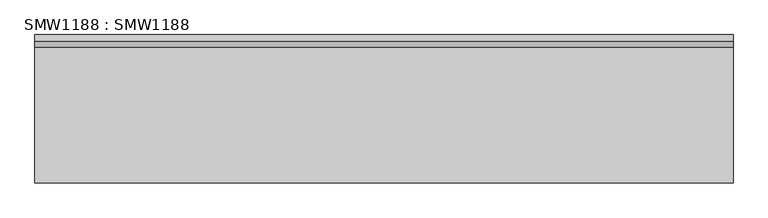
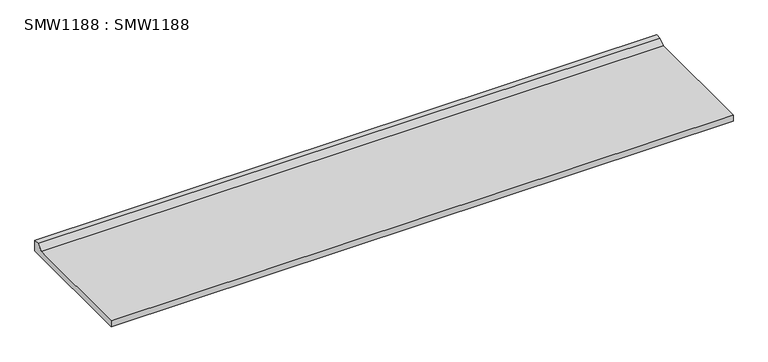
"""IFC4 building model written with IfcOpenShell, lengths in millimetres: proxy geometry, SMW1188 : SMW1188."""

from ifc_helpers import new_model, si_unit, frame, origin, place, context, project, spatial, polyline, outline, extrude, source, transform, mapped, element, save


def smw1188_smw1188_ec0f6920(model_context):
    return source(origin(), model_context, "Body", "SweptSolid", [
        extrude(outline(polyline([(-25.0000002, 50.0000004), (0.0, 50.0000004), (0.0, 0.0), (-600.0, 0.0), (-600.0, 28.000001), (-50.0000004, 28.000001), (-25.0000002, 50.0000004)])), frame((0.0, 0.0, 0.0), z_axis=(1.0, 0.0, 0.0), x_axis=(0.0, 1.0, 0.0)), (0.0, 0.0, 1.0), 2820.0),
    ])


if __name__ == "__main__":
    model = new_model("IFC4")
    model_context = context("Model", 3, world=origin())
    ifc_project = project(units=[si_unit("LENGTHUNIT", "METRE", prefix="MILLI")], contexts=[model_context])
    site = spatial("IfcSite", under=ifc_project)
    building = spatial("IfcBuilding", under=site)
    placement = place(None, origin())
    smw1188_smw1188_shape = smw1188_smw1188_ec0f6920(model_context)
    element("IfcBuildingElementProxy", 1, Name="SMW1188 : SMW1188", ObjectType="SMW1188 : SMW1188", at=placement, inside=building, context=model_context, shape_type="MappedRepresentation", body=[
        mapped(smw1188_smw1188_shape, transform((0.0, 0.0, 0.0), x_axis=(1.0, 0.0, 0.0), y_axis=(0.0, 1.0, 0.0), z_axis=(0.0, 0.0, 1.0))),
    ])
    save(model, "model.ifc")
